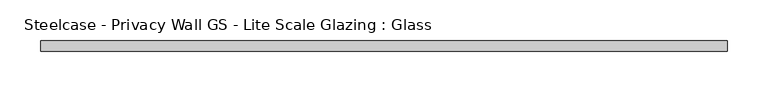
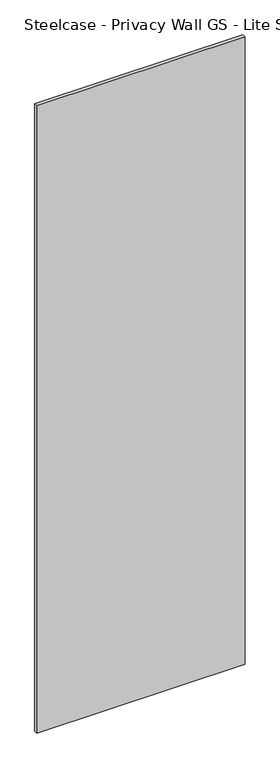
"""IFC4 building model written with IfcOpenShell, lengths in millimetres: plate geometry, Steelcase - Privacy Wall GS - Lite Scale Glazing : Glass."""

from ifc_helpers import new_model, si_unit, origin, origin_with_axes, place, context, project, spatial, polyline, outline, extrude, source, transform, mapped, element, save


def steelcase_privacy_wall_gs_lite_scale_glazing_glass_15e59706(model_context):
    return source(origin(), model_context, "Body", "SweptSolid", [
        extrude(outline(polyline([(-418.8241815, -6.349956), (-418.8241815, 6.3502015), (418.8241815, 6.3502015), (418.8241815, -6.349956), (-418.8241815, -6.349956)])), origin_with_axes(), (0.0, 0.0, 1.0), 2665.984),
    ])


if __name__ == "__main__":
    model = new_model("IFC4")
    model_context = context("Model", 3, world=origin())
    ifc_project = project(units=[si_unit("LENGTHUNIT", "METRE", prefix="MILLI")], contexts=[model_context])
    site = spatial("IfcSite", under=ifc_project)
    building = spatial("IfcBuilding", under=site)
    placement = place(None, origin())
    steelcase_privacy_wall_gs_lite_scale_glazing_glass_shape = steelcase_privacy_wall_gs_lite_scale_glazing_glass_15e59706(model_context)
    element("IfcPlate", 1, ObjectType="Steelcase - Privacy Wall GS - Lite Scale Glazing : Glass", at=placement, inside=building, context=model_context, shape_type="MappedRepresentation", body=[
        mapped(steelcase_privacy_wall_gs_lite_scale_glazing_glass_shape, transform((0.0, 0.0, 0.0), x_axis=(1.0, 0.0, 0.0), y_axis=(0.0, 1.0, 0.0), z_axis=(0.0, 0.0, 1.0))),
    ])
    save(model, "model.ifc")
